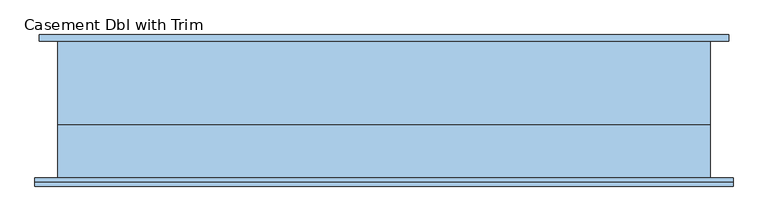
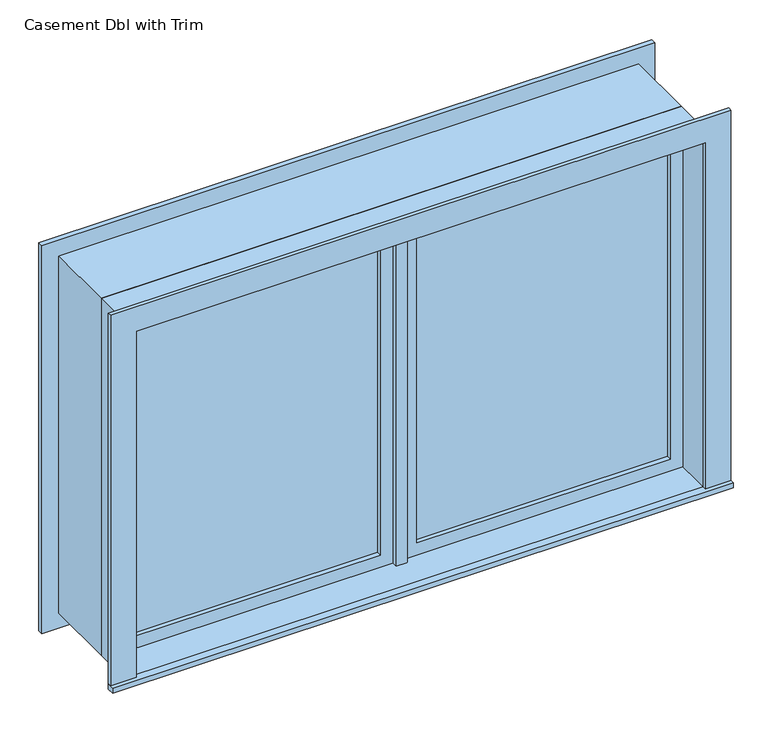
"""IFC4 building model written with IfcOpenShell, lengths in millimetres: window geometry, Casement Dbl with Trim."""

from ifc_helpers import new_model, si_unit, frame, origin, place, context, project, spatial, polyline, outline, extrude, source, transform, mapped, element, save


def casement_dbl_with_trim_af89385e(model_context):
    return source(origin(), model_context, "Body", "SweptSolid", [
        extrude(outline(polyline([(63.5, -93.175), (63.5, -80.475), (936.5, -80.475), (936.5, -93.175), (63.5, -93.175)])), frame((0.0, 0.0, 977.9), z_axis=(0.0, 0.0, 1.0), x_axis=(1.0, 0.0, 0.0)), (0.0, 0.0, 1.0), 1173.0),
        extrude(outline(polyline([(2195.35, 19.05), (933.45, 19.05), (933.45, 980.95), (2195.35, 980.95), (2195.35, 19.05)]), holes=[polyline([(2150.9, 63.5), (2150.9, 936.5), (977.9, 936.5), (977.9, 63.5), (2150.9, 63.5)])]), frame((0.0, -109.05, 0.0), z_axis=(0.0, 1.0, 0.0), x_axis=(0.0, 0.0, 1.0)), (0.0, 0.0, 1.0), 44.45),
        extrude(outline(polyline([(19.05, -64.6), (19.05, -128.1), (-19.05, -128.1), (-19.05, -64.6), (19.05, -64.6)])), frame((0.0, 0.0, 933.45), z_axis=(0.0, 0.0, 1.0), x_axis=(1.0, 0.0, 0.0)), (0.0, 0.0, 1.0), 1261.9),
        extrude(outline(polyline([(-1069.85, -254.45), (-1069.85, -229.05), (1069.85, -229.05), (1069.85, -254.45), (-1069.85, -254.45)])), frame((0.0, 0.0, 914.4), z_axis=(0.0, 0.0, 1.0), x_axis=(1.0, 0.0, 0.0)), (0.0, 0.0, 1.0), 19.05),
        extrude(outline(polyline([(2195.35, -980.95), (2195.35, 980.95), (933.45, 980.95), (933.45, 1069.85), (2284.25, 1069.85), (2284.25, -1069.85), (933.45, -1069.85), (933.45, -980.95), (2195.35, -980.95)])), frame((0.0, -241.75, 0.0), z_axis=(0.0, 1.0, 0.0), x_axis=(0.0, 0.0, 1.0)), (0.0, 0.0, 1.0), 12.7),
        extrude(outline(polyline([(2271.55, 1057.15), (2271.55, -1057.15), (857.25, -1057.15), (857.25, 1057.15), (2271.55, 1057.15)]), holes=[polyline([(2182.65, 968.25), (946.15, 968.25), (946.15, -968.25), (2182.65, -968.25), (2182.65, 968.25)])]), frame((0.0, 190.95, 0.0), z_axis=(0.0, 1.0, 0.0), x_axis=(0.0, 0.0, 1.0)), (0.0, 0.0, 1.0), 19.05),
        extrude(outline(polyline([(-63.5, -80.475), (-63.5, -93.175), (-936.5, -93.175), (-936.5, -80.475), (-63.5, -80.475)])), frame((0.0, 0.0, 977.9), z_axis=(0.0, 0.0, 1.0), x_axis=(1.0, 0.0, 0.0)), (0.0, 0.0, 1.0), 1173.0),
        extrude(outline(polyline([(2195.35, -980.95), (933.45, -980.95), (933.45, -19.05), (2195.35, -19.05), (2195.35, -980.95)]), holes=[polyline([(2150.9, -936.5), (2150.9, -63.5), (977.9, -63.5), (977.9, -936.5), (2150.9, -936.5)])]), frame((0.0, -109.05, 0.0), z_axis=(0.0, 1.0, 0.0), x_axis=(0.0, 0.0, 1.0)), (0.0, 0.0, 1.0), 44.45),
        extrude(outline(polyline([(2214.4, -1000.0), (914.4, -1000.0), (914.4, 1000.0), (2214.4, 1000.0), (2214.4, -1000.0)]), holes=[polyline([(2182.65, -968.25), (2182.65, 968.25), (946.15, 968.25), (946.15, -968.25), (2182.65, -968.25)])]), frame((0.0, -64.6, 0.0), z_axis=(0.0, 1.0, 0.0), x_axis=(0.0, 0.0, 1.0)), (0.0, 0.0, 1.0), 255.55),
        extrude(outline(polyline([(2214.4, 1000.0), (2214.4, -1000.0), (914.4, -1000.0), (914.4, 1000.0), (2214.4, 1000.0)]), holes=[polyline([(2195.35, 980.95), (933.45, 980.95), (933.45, -980.95), (2195.35, -980.95), (2195.35, 980.95)])]), frame((0.0, -229.05, 0.0), z_axis=(0.0, 1.0, 0.0), x_axis=(0.0, 0.0, 1.0)), (0.0, 0.0, 1.0), 164.45),
    ])


if __name__ == "__main__":
    model = new_model("IFC4")
    model_context = context("Model", 3, world=origin())
    ifc_project = project(units=[si_unit("LENGTHUNIT", "METRE", prefix="MILLI")], contexts=[model_context])
    site = spatial("IfcSite", under=ifc_project)
    building = spatial("IfcBuilding", under=site)
    placement = place(None, origin())
    casement_dbl_with_trim_shape = casement_dbl_with_trim_af89385e(model_context)
    element("IfcWindow", 1, ObjectType="Casement Dbl with Trim", at=placement, inside=building, context=model_context, shape_type="MappedRepresentation", body=[
        mapped(casement_dbl_with_trim_shape, transform((0.0, 0.0, 0.0), x_axis=(1.0, 0.0, 0.0), y_axis=(0.0, 1.0, 0.0), z_axis=(0.0, 0.0, 1.0))),
    ])
    save(model, "model.ifc")
